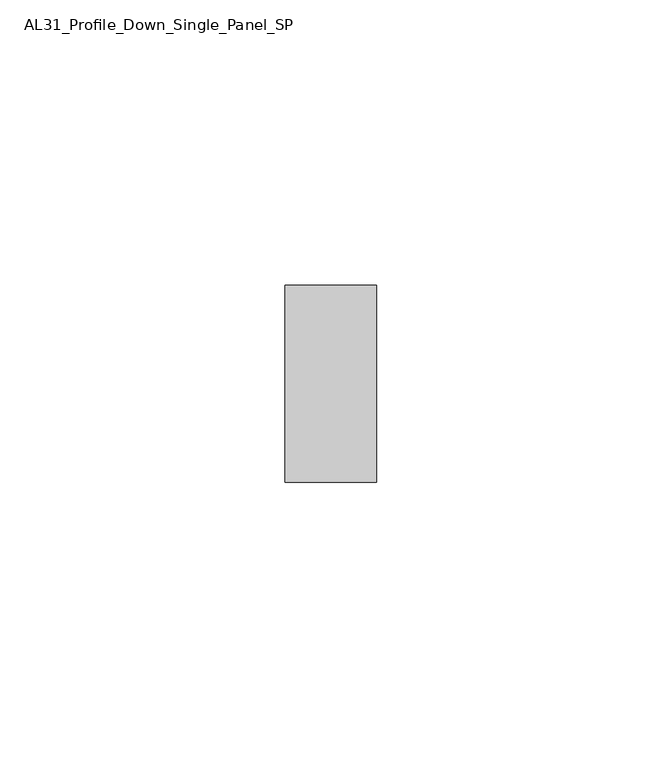
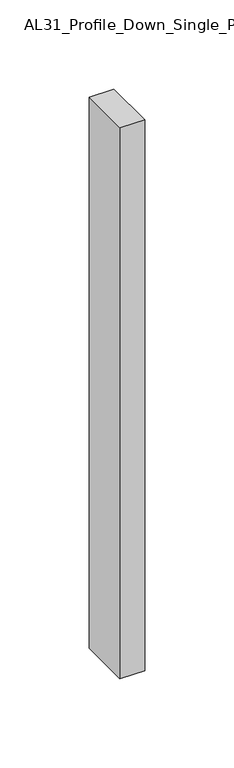
"""IFC4 building model written with IfcOpenShell, lengths in millimetres: member geometry, AL31_Profile_Down_Single_Panel_SP."""

from ifc_helpers import new_model, si_unit, frame, origin, place, context, project, spatial, polyline, outline, extrude, source, transform, mapped, element, save


def al31_profile_down_single_panel_sp_8d6b5ec5(model_context):
    return source(origin(), model_context, "Body", "SweptSolid", [
        extrude(outline(polyline([(0.0, -17.25), (-16.0, -17.25), (-16.0, 17.25), (0.0, 17.25), (0.0, -17.25)])), frame((0.0, 0.0, -377.0620075), z_axis=(0.0, 0.0, 1.0), x_axis=(1.0, 0.0, 0.0)), (0.0, 0.0, 1.0), 377.0620075),
    ])


if __name__ == "__main__":
    model = new_model("IFC4")
    model_context = context("Model", 3, world=origin())
    ifc_project = project(units=[si_unit("LENGTHUNIT", "METRE", prefix="MILLI")], contexts=[model_context])
    site = spatial("IfcSite", under=ifc_project)
    building = spatial("IfcBuilding", under=site)
    placement = place(None, origin())
    al31_profile_down_single_panel_sp_shape = al31_profile_down_single_panel_sp_8d6b5ec5(model_context)
    element("IfcMember", 1, ObjectType="AL31_Profile_Down_Single_Panel_SP", at=placement, inside=building, context=model_context, shape_type="MappedRepresentation", body=[
        mapped(al31_profile_down_single_panel_sp_shape, transform((0.0, 0.0, 0.0), x_axis=(1.0, 0.0, 0.0), y_axis=(0.0, 1.0, 0.0), z_axis=(0.0, 0.0, 1.0))),
    ])
    save(model, "model.ifc")
